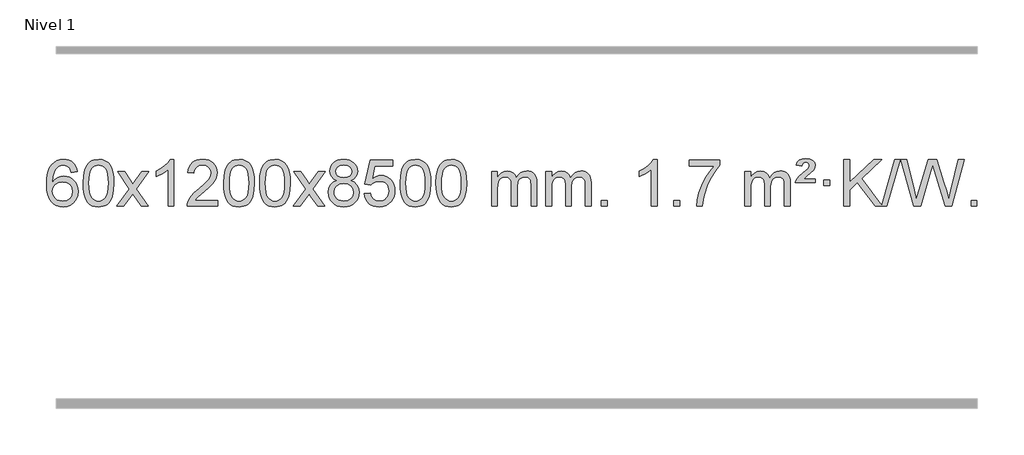
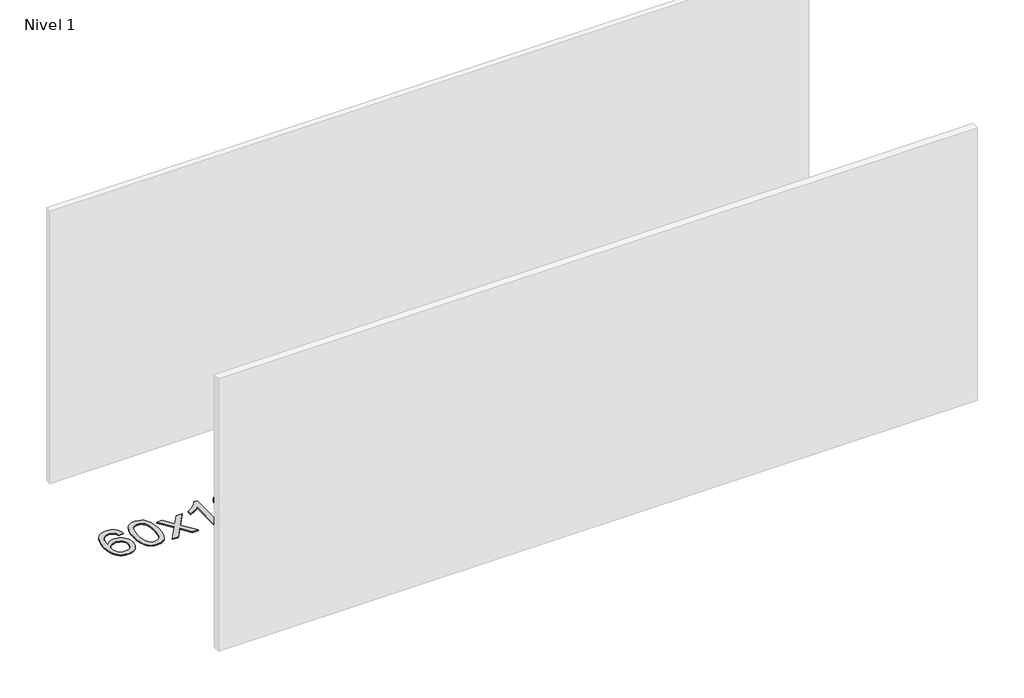
# One storey, part 7 of 10: 1 proxy.
"""IFC4 building model written with IfcOpenShell, lengths in millimetres."""

from ifc_helpers import new_model, si_unit, origin, origin_with_axes, place, context, project, spatial, polyline, outline, extrude, element, save

model = new_model("IFC4")

# Units and contexts
model_context = context("Model", 3, world=origin())
ifc_project = project(units=[si_unit("LENGTHUNIT", "METRE", prefix="MILLI")], contexts=[model_context])

# Site, building, storey
site = spatial("IfcSite", under=ifc_project)
building = spatial("IfcBuilding", under=site)
storey = spatial("IfcBuildingStorey", under=building, Name="Nivel 1", Elevation=0.0)

# Proxy
placement = place(None, origin())
element("IfcBuildingElementProxy", 1, Name="Texto de modelo 1", ObjectType="Texto de modelo 1", at=placement, inside=storey, context=model_context, shape_type="SweptSolid", body=[
    extrude(outline(polyline([(-52.5741406, -3100.4890419), (-102.8022957, -3106.7675613), (-110.8956996, -3081.874213), (-121.8340576, -3064.8780648), (-144.6182158, -3049.2062918), (-172.1603145, -3043.9823675), (-195.5085585, -3047.0235253), (-217.4833763, -3056.1469988), (-236.3557227, -3075.3627017), (-251.7699783, -3101.8134171), (-262.1810387, -3139.227016), (-266.0437997, -3191.3313693), (-245.8961291, -3167.8237098), (-221.7508075, -3151.2567573), (-194.9567355, -3141.434308), (-166.8628138, -3138.1601582), (-142.7297549, -3140.398107), (-120.4606315, -3147.1119534), (-100.0554435, -3158.3016975), (-81.5141909, -3173.9673391), (-66.1060667, -3193.1769106), (-55.1002637, -3214.9984443), (-48.4967818, -3239.4319401), (-46.2956212, -3266.4773982), (-50.440425, -3302.4439945), (-62.8748365, -3335.786366), (-82.568786, -3364.0642287), (-108.4922039, -3384.8372987), (-139.4678679, -3397.602804), (-174.3185556, -3401.8579724), (-204.2610843, -3399.0375437), (-231.3034766, -3390.5762579), (-255.4457325, -3376.4741147), (-276.6878521, -3356.7311143), (-294.005897, -3330.5133908), (-306.3759291, -3296.9870783), (-313.7979483, -3256.1521768), (-316.2719548, -3208.0086864), (-313.5251025, -3154.0342663), (-305.2845458, -3107.9693092), (-291.5502847, -3069.8138149), (-272.3223191, -3039.5677835), (-251.481804, -3019.5243462), (-227.3180883, -3005.2076052), (-199.8311719, -2996.6175606), (-169.0210548, -2993.7542124), (-145.8874087, -2995.5261773), (-124.9487918, -3000.8420722), (-106.2052042, -3009.7018969), (-89.6566457, -3022.1056515), (-75.7507063, -3037.6364031), (-64.9349757, -3055.8772186), (-57.2094538, -3076.8280983), (-52.5741406, -3100.4890419)]), holes=[polyline([(-266.0437997, -3265.6925832), (-263.1375319, -3287.9494439), (-254.4187286, -3309.2007605), (-240.8806712, -3327.472233), (-223.516641, -3340.7895612), (-202.5596301, -3348.9197533), (-178.2426302, -3351.6298173), (-145.0964624, -3346.0134855), (-131.1813259, -3338.9930708), (-119.0381544, -3329.1644901), (-109.188114, -3316.9262824), (-102.1523708, -3302.6769865), (-96.5237763, -3268.1451299), (-102.0787944, -3234.9989621), (-109.0225671, -3221.3781312), (-118.7438488, -3209.725469), (-130.9238085, -3200.3904634), (-145.2436152, -3193.7226022), (-180.3027693, -3188.3883133), (-213.3998862, -3193.7226022), (-241.0768749, -3209.725469), (-251.9999045, -3221.2248471), (-259.8020685, -3234.3858254), (-264.4833669, -3249.2084042), (-266.0437997, -3265.6925832)])]), origin_with_axes(), (0.0, 0.0, 1.0), 10.0),
    extrude(outline(polyline([(-2.3459855, -3197.9041943), (1.3450971, -3133.5861588), (12.4183452, -3082.2911459), (30.763394, -3043.2343407), (42.621457, -3028.0009605), (56.269879, -3015.6309284), (71.7546453, -3006.0598651), (89.1217412, -2999.2233914), (129.5029215, -2993.7542124), (160.4540601, -2996.991574), (188.167837, -3006.7036586), (211.3444027, -3022.5103217), (228.6839074, -3044.0314184), (241.7805065, -3071.0830078), (252.2283551, -3103.4811488), (259.0709602, -3144.6226186), (261.3518286, -3197.9041943), (257.6975341, -3261.8543477), (246.7346507, -3313.0267333), (228.4999664, -3352.1203266), (216.6694946, -3367.3996922), (203.0302696, -3379.8341036), (187.5271092, -3389.4695462), (170.1048311, -3396.3520052), (129.5029215, -3401.8579724), (101.8381955, -3399.4667394), (77.3127291, -3392.2930405), (55.9265225, -3380.3368757), (37.6795755, -3363.5982449), (20.1683926, -3333.3399508), (7.6604047, -3295.6381776), (0.155612, -3250.4929255), (-2.3459855, -3197.9041943)]), holes=[polyline([(47.8821695, -3197.8060924), (49.3536975, -3241.4706195), (53.7682815, -3276.8148822), (61.1259214, -3303.8388804), (71.4266172, -3322.5426142), (83.8855541, -3335.2682656), (97.7179171, -3344.3580165), (112.9237063, -3349.8118671), (129.5029215, -3351.6298173), (146.0821368, -3349.8057357), (161.2879259, -3344.3334911), (175.1202889, -3335.2130833), (187.5792258, -3322.4445124), (197.8799217, -3303.7101217), (205.2375616, -3276.6922549), (209.6521455, -3241.3909118), (211.1236735, -3197.8060924), (209.7011965, -3155.2973278), (205.4337653, -3120.5753989), (198.3213801, -3093.6403055), (188.3640408, -3074.4920476), (176.1135703, -3061.1440625), (162.1217918, -3051.6097875), (146.3887051, -3045.8892225), (128.9143103, -3043.9823675), (112.4209342, -3045.6623619), (97.4726625, -3050.7023452), (84.0694951, -3059.1023175), (72.2114321, -3070.8622786), (61.5673797, -3091.708925), (53.9644852, -3119.8151094), (49.4027484, -3155.1808319), (47.8821695, -3197.8060924)])]), origin_with_axes(), (0.0, 0.0, 1.0), 10.0),
    extrude(outline(polyline([(286.4659061, -3395.579453), (393.7893469, -3247.2494325), (292.7444255, -3100.4890419), (353.1751746, -3100.4890419), (401.9318017, -3171.122385), (424.6914345, -3204.4770192), (444.4099094, -3177.2047007), (499.9355652, -3100.4890419), (560.3663143, -3100.4890419), (454.2200959, -3247.2494325), (556.4422397, -3395.579453), (496.0114906, -3395.579453), (434.501621, -3306.4048574), (423.2199065, -3290.1199477), (346.8966552, -3395.579453), (286.4659061, -3395.579453)])), origin_with_axes(), (0.0, 0.0, 1.0), 10.0),
    extrude(outline(polyline([(776.1904181, -3395.579453), (725.962263, -3395.579453), (725.962263, -3082.4382987), (704.9929893, -3099.3976587), (678.3828583, -3116.3324932), (625.5059529, -3141.6918254), (625.5059529, -3094.2105225), (664.9551655, -3072.7507395), (699.1314029, -3047.219729), (726.0726276, -3020.0700378), (743.8168025, -2993.7542124), (776.1904181, -2993.7542124), (776.1904181, -3395.579453)])), origin_with_axes(), (0.0, 0.0, 1.0), 10.0),
    extrude(outline(polyline([(1152.9015812, -3345.3512979), (1152.9015812, -3395.579453), (889.203767, -3395.579453), (890.307413, -3377.8965918), (894.5993696, -3360.9494945), (906.9847301, -3333.8856424), (925.1090498, -3307.6311307), (951.3267733, -3280.1503456), (987.9923455, -3249.4076736), (1042.1936261, -3201.2641831), (1074.7143945, -3165.7267824), (1090.9747787, -3136.884834), (1096.3949067, -3108.8277005), (1091.281347, -3083.6768347), (1075.9406678, -3062.7688747), (1052.3594319, -3048.6789943), (1022.5242021, -3043.9823675), (991.1929188, -3048.5686297), (966.8513935, -3062.3274163), (951.1428323, -3084.1796068), (945.7104415, -3113.0460807), (895.4822864, -3106.7675613), (899.8018342, -3080.838012), (907.6591805, -3058.1826125), (919.0543253, -3038.8013627), (933.9872686, -3022.6942627), (952.1146539, -3010.0329907), (973.0931247, -3000.989225), (996.9226809, -2995.5629655), (1023.6033226, -2993.7542124), (1050.5230876, -2995.7653006), (1074.4814025, -3001.7985654), (1095.4782674, -3011.8540066), (1113.5136822, -3025.9316242), (1127.9990358, -3042.9890861), (1138.3457169, -3061.9840598), (1144.5537256, -3082.9165453), (1146.6230618, -3105.7865427), (1144.3912444, -3129.8092369), (1137.695792, -3153.4149983), (1125.8132036, -3177.4254299), (1108.0199778, -3202.6621347), (1079.6562759, -3232.7916701), (1036.0622595, -3271.4805933), (978.2802608, -3319.795762), (955.6187299, -3345.3512979), (1152.9015812, -3345.3512979)])), origin_with_axes(), (0.0, 0.0, 1.0), 10.0),
    extrude(outline(polyline([(1203.1297362, -3197.9041943), (1206.8208189, -3133.5861588), (1217.894067, -3082.2911459), (1236.2391158, -3043.2343407), (1248.0971788, -3028.0009605), (1261.7456008, -3015.6309284), (1277.2303671, -3006.0598651), (1294.597463, -2999.2233914), (1334.9786433, -2993.7542124), (1365.9297818, -2996.991574), (1393.6435588, -3006.7036586), (1416.8201245, -3022.5103217), (1434.1596292, -3044.0314184), (1447.2562282, -3071.0830078), (1457.7040769, -3103.4811488), (1464.546682, -3144.6226186), (1466.8275504, -3197.9041943), (1463.1732559, -3261.8543477), (1452.2103725, -3313.0267333), (1433.9756882, -3352.1203266), (1422.1452164, -3367.3996922), (1408.5059914, -3379.8341036), (1393.002831, -3389.4695462), (1375.5805529, -3396.3520052), (1334.9786433, -3401.8579724), (1307.3139173, -3399.4667394), (1282.7884509, -3392.2930405), (1261.4022443, -3380.3368757), (1243.1552973, -3363.5982449), (1225.6441144, -3333.3399508), (1213.1361265, -3295.6381776), (1205.6313338, -3250.4929255), (1203.1297362, -3197.9041943)]), holes=[polyline([(1253.3578913, -3197.8060924), (1254.8294193, -3241.4706195), (1259.2440032, -3276.8148822), (1266.6016432, -3303.8388804), (1276.902339, -3322.5426142), (1289.3612759, -3335.2682656), (1303.1936389, -3344.3580165), (1318.3994281, -3349.8118671), (1334.9786433, -3351.6298173), (1351.5578586, -3349.8057357), (1366.7636477, -3344.3334911), (1380.5960107, -3335.2130833), (1393.0549476, -3322.4445124), (1403.3556435, -3303.7101217), (1410.7132834, -3276.6922549), (1415.1278673, -3241.3909118), (1416.5993953, -3197.8060924), (1415.1769183, -3155.2973278), (1410.9094871, -3120.5753989), (1403.7971019, -3093.6403055), (1393.8397625, -3074.4920476), (1381.5892921, -3061.1440625), (1367.5975136, -3051.6097875), (1351.8644269, -3045.8892225), (1334.3900321, -3043.9823675), (1317.896656, -3045.6623619), (1302.9483843, -3050.7023452), (1289.5452169, -3059.1023175), (1277.6871539, -3070.8622786), (1267.0431015, -3091.708925), (1259.440207, -3119.8151094), (1254.8784702, -3155.1808319), (1253.3578913, -3197.8060924)])]), origin_with_axes(), (0.0, 0.0, 1.0), 10.0),
    extrude(outline(polyline([(1510.7771861, -3197.9041943), (1514.4682688, -3133.5861588), (1525.5415168, -3082.2911459), (1543.8865656, -3043.2343407), (1555.7446286, -3028.0009605), (1569.3930506, -3015.6309284), (1584.877817, -3006.0598651), (1602.2449128, -2999.2233914), (1642.6260932, -2993.7542124), (1673.5772317, -2996.991574), (1701.2910087, -3006.7036586), (1724.4675743, -3022.5103217), (1741.8070791, -3044.0314184), (1754.9036781, -3071.0830078), (1765.3515267, -3103.4811488), (1772.1941319, -3144.6226186), (1774.4750002, -3197.9041943), (1770.8207057, -3261.8543477), (1759.8578223, -3313.0267333), (1741.6231381, -3352.1203266), (1729.7926662, -3367.3996922), (1716.1534413, -3379.8341036), (1700.6502808, -3389.4695462), (1683.2280027, -3396.3520052), (1642.6260932, -3401.8579724), (1614.9613671, -3399.4667394), (1590.4359008, -3392.2930405), (1569.0496941, -3380.3368757), (1550.8027472, -3363.5982449), (1533.2915642, -3333.3399508), (1520.7835764, -3295.6381776), (1513.2787836, -3250.4929255), (1510.7771861, -3197.9041943)]), holes=[polyline([(1561.0053412, -3197.8060924), (1562.4768691, -3241.4706195), (1566.8914531, -3276.8148822), (1574.249093, -3303.8388804), (1584.5497888, -3322.5426142), (1597.0087258, -3335.2682656), (1610.8410888, -3344.3580165), (1626.0468779, -3349.8118671), (1642.6260932, -3351.6298173), (1659.2053084, -3349.8057357), (1674.4110975, -3344.3334911), (1688.2434606, -3335.2130833), (1700.7023975, -3322.4445124), (1711.0030933, -3303.7101217), (1718.3607332, -3276.6922549), (1722.7753172, -3241.3909118), (1724.2468452, -3197.8060924), (1722.8243681, -3155.2973278), (1718.556937, -3120.5753989), (1711.4445517, -3093.6403055), (1701.4872124, -3074.4920476), (1689.2367419, -3061.1440625), (1675.2449634, -3051.6097875), (1659.5118767, -3045.8892225), (1642.037482, -3043.9823675), (1625.5441058, -3045.6623619), (1610.5958341, -3050.7023452), (1597.1926667, -3059.1023175), (1585.3346038, -3070.8622786), (1574.6905514, -3091.708925), (1567.0876568, -3119.8151094), (1562.5259201, -3155.1808319), (1561.0053412, -3197.8060924)])]), origin_with_axes(), (0.0, 0.0, 1.0), 10.0),
    extrude(outline(polyline([(1799.5890778, -3395.579453), (1906.9125185, -3247.2494325), (1805.8675971, -3100.4890419), (1866.2983462, -3100.4890419), (1915.0549733, -3171.122385), (1937.8146061, -3204.4770192), (1957.533081, -3177.2047007), (2013.0587368, -3100.4890419), (2073.4894859, -3100.4890419), (1967.3432676, -3247.2494325), (2069.5654113, -3395.579453), (2009.1346622, -3395.579453), (1947.6247926, -3306.4048574), (1936.3430781, -3290.1199477), (1860.0198268, -3395.579453), (1799.5890778, -3395.579453)])), origin_with_axes(), (0.0, 0.0, 1.0), 10.0),
    extrude(outline(polyline([(2174.1419998, -3174.2616447), (2147.2498259, -3161.0178929), (2128.3774796, -3143.0652515), (2117.2306551, -3120.7716026), (2113.515047, -3094.5048281), (2115.538398, -3074.0199324), (2121.6084509, -3055.2395565), (2131.7252057, -3038.1637006), (2145.8886626, -3022.7923645), (2163.4182396, -3010.088173), (2183.6333553, -3001.0137504), (2206.5340095, -2995.5690969), (2232.1202022, -2993.7542124), (2257.8290223, -2995.6120165), (2280.9013548, -3001.1854287), (2301.3371996, -3010.4744491), (2319.1365568, -3023.4790776), (2333.557531, -3039.1508506), (2343.8582269, -3056.4413044), (2350.0386444, -3075.3504389), (2352.0987836, -3095.8782543), (2348.4322264, -3121.2989001), (2337.4325547, -3143.2124043), (2318.9771413, -3161.0546811), (2292.9433588, -3174.2616447), (2323.8577091, -3190.1909351), (2346.3598245, -3213.6495436), (2360.0818229, -3243.5092989), (2364.6558224, -3278.6420295), (2362.3872167, -3303.6947933), (2355.5813998, -3326.6628926), (2344.2383716, -3347.5463272), (2328.3581322, -3366.3450971), (2308.7745473, -3381.88198), (2286.3214828, -3392.9797536), (2260.9989388, -3399.6384177), (2232.8069153, -3401.8579724), (2204.6148917, -3399.6292206), (2179.2923477, -3392.9429654), (2156.8392833, -3381.7992066), (2137.2556984, -3366.1979443), (2121.3754589, -3347.26735), (2110.0324308, -3326.135595), (2103.2266138, -3302.8026795), (2100.9580082, -3277.2686033), (2105.7159487, -3240.7747094), (2119.9897701, -3210.7555386), (2143.0437085, -3188.2411605), (2174.1419998, -3174.2616447)]), holes=[polyline([(2163.7432021, -3095.9763561), (2168.1945742, -3117.902123), (2181.5486906, -3135.413306), (2203.4131439, -3146.8912243), (2233.3955265, -3150.717197), (2262.6789333, -3146.9157497), (2284.2122927, -3135.5114079), (2297.4560446, -3118.5888361), (2301.8706285, -3098.232699), (2297.3088918, -3077.1040098), (2283.6236815, -3059.629615), (2261.7960165, -3047.8941794), (2232.8069153, -3043.9823675), (2203.6338731, -3047.8083402), (2181.8429962, -3059.2862585), (2168.2681506, -3076.1107284), (2163.7432021, -3095.9763561)]), polyline([(2151.1861633, -3275.5027698), (2153.2830907, -3294.7184726), (2159.5738728, -3313.3210389), (2171.1866811, -3329.5446349), (2189.2496871, -3341.623427), (2210.8811484, -3349.1282197), (2233.1993227, -3351.6298173), (2267.3878228, -3346.3691048), (2281.2814995, -3339.7932141), (2293.0414606, -3330.5869672), (2309.0811156, -3306.6869002), (2314.4276673, -3277.0723996), (2308.9094374, -3246.9551269), (2292.3547476, -3222.5277625), (2280.2759554, -3213.0854579), (2266.1124986, -3206.3409547), (2231.531591, -3200.9453521), (2197.8213375, -3206.2673783), (2184.0840107, -3212.919911), (2172.4252171, -3222.2334569), (2156.4959267, -3246.1948375), (2151.1861633, -3275.5027698)])]), origin_with_axes(), (0.0, 0.0, 1.0), 10.0),
    extrude(outline(polyline([(2408.605458, -3288.8446235), (2458.8336131, -3282.5661041), (2468.0551885, -3312.7201649), (2484.1438944, -3334.3148381), (2507.0261545, -3347.3010725), (2536.6283924, -3351.6298173), (2555.7582561, -3350.1245668), (2572.631777, -3345.6088153), (2587.2489549, -3338.0825628), (2599.6097899, -3327.5458094), (2609.4383706, -3314.519721), (2616.4587853, -3299.5254641), (2622.0751171, -3263.6324441), (2616.8144046, -3229.8363514), (2610.2385139, -3215.9181493), (2601.032267, -3203.9865099), (2589.165007, -3194.4154467), (2574.606077, -3187.5789729), (2537.4132073, -3182.1097939), (2513.0471565, -3184.2925604), (2493.3164188, -3190.8408599), (2477.5588067, -3200.8717757), (2465.1121325, -3213.5023908), (2414.8839774, -3207.2238715), (2458.8336131, -3000.0327318), (2653.467714, -3000.0327318), (2653.467714, -3050.2608869), (2499.4477854, -3050.2608869), (2477.9634769, -3160.919791), (2495.6892577, -3148.2155994), (2513.8442341, -3139.1411769), (2532.4284063, -3133.6965234), (2551.441774, -3131.8816388), (2575.902861, -3134.1318504), (2598.3712539, -3140.882485), (2618.8469526, -3152.1335427), (2637.3299572, -3167.8850234), (2652.6307825, -3187.1743027), (2663.5599434, -3209.038756), (2670.11744, -3233.4783832), (2672.3032722, -3260.4931844), (2670.3351035, -3286.5147042), (2664.4305975, -3310.7213394), (2654.5897541, -3333.1130902), (2640.8125734, -3353.6899565), (2619.9414015, -3374.7634634), (2595.5876135, -3389.8159684), (2567.7512092, -3398.8474714), (2536.4321886, -3401.8579724), (2510.5118364, -3399.9235262), (2487.0992131, -3394.1201877), (2466.1943187, -3384.447957), (2447.7971533, -3370.9068338), (2432.4901966, -3354.1712688), (2420.8559285, -3334.915712), (2412.894349, -3313.1401636), (2408.605458, -3288.8446235)])), origin_with_axes(), (0.0, 0.0, 1.0), 10.0),
    extrude(outline(polyline([(2716.2529079, -3197.9041943), (2719.9439906, -3133.5861588), (2731.0172386, -3082.2911459), (2749.3622874, -3043.2343407), (2761.2203504, -3028.0009605), (2774.8687724, -3015.6309284), (2790.3535388, -3006.0598651), (2807.7206346, -2999.2233914), (2848.1018149, -2993.7542124), (2879.0529535, -2996.991574), (2906.7667304, -3006.7036586), (2929.9432961, -3022.5103217), (2947.2828008, -3044.0314184), (2960.3793999, -3071.0830078), (2970.8272485, -3103.4811488), (2977.6698537, -3144.6226186), (2979.950722, -3197.9041943), (2976.2964275, -3261.8543477), (2965.3335441, -3313.0267333), (2947.0988599, -3352.1203266), (2935.268388, -3367.3996922), (2921.6291631, -3379.8341036), (2906.1260026, -3389.4695462), (2888.7037245, -3396.3520052), (2848.1018149, -3401.8579724), (2820.4370889, -3399.4667394), (2795.9116226, -3392.2930405), (2774.5254159, -3380.3368757), (2756.278469, -3363.5982449), (2738.767286, -3333.3399508), (2726.2592981, -3295.6381776), (2718.7545054, -3250.4929255), (2716.2529079, -3197.9041943)]), holes=[polyline([(2766.481063, -3197.8060924), (2767.9525909, -3241.4706195), (2772.3671749, -3276.8148822), (2779.7248148, -3303.8388804), (2790.0255106, -3322.5426142), (2802.4844475, -3335.2682656), (2816.3168106, -3344.3580165), (2831.5225997, -3349.8118671), (2848.1018149, -3351.6298173), (2864.6810302, -3349.8057357), (2879.8868193, -3344.3334911), (2893.7191824, -3335.2130833), (2906.1781193, -3322.4445124), (2916.4788151, -3303.7101217), (2923.836455, -3276.6922549), (2928.251039, -3241.3909118), (2929.7225669, -3197.8060924), (2928.3000899, -3155.2973278), (2924.0326588, -3120.5753989), (2916.9202735, -3093.6403055), (2906.9629342, -3074.4920476), (2894.7124637, -3061.1440625), (2880.7206852, -3051.6097875), (2864.9875985, -3045.8892225), (2847.5132038, -3043.9823675), (2831.0198276, -3045.6623619), (2816.0715559, -3050.7023452), (2802.6683885, -3059.1023175), (2790.8103256, -3070.8622786), (2780.1662732, -3091.708925), (2772.5633786, -3119.8151094), (2768.0016419, -3155.1808319), (2766.481063, -3197.8060924)])]), origin_with_axes(), (0.0, 0.0, 1.0), 10.0),
    extrude(outline(polyline([(3023.9003577, -3197.9041943), (3027.5914404, -3133.5861588), (3038.6646885, -3082.2911459), (3057.0097373, -3043.2343407), (3068.8678003, -3028.0009605), (3082.5162223, -3015.6309284), (3098.0009886, -3006.0598651), (3115.3680844, -2999.2233914), (3155.7492648, -2993.7542124), (3186.7004033, -2996.991574), (3214.4141803, -3006.7036586), (3237.590746, -3022.5103217), (3254.9302507, -3044.0314184), (3268.0268497, -3071.0830078), (3278.4746984, -3103.4811488), (3285.3173035, -3144.6226186), (3287.5981719, -3197.9041943), (3283.9438774, -3261.8543477), (3272.9809939, -3313.0267333), (3254.7463097, -3352.1203266), (3242.9158379, -3367.3996922), (3229.2766129, -3379.8341036), (3213.7734525, -3389.4695462), (3196.3511743, -3396.3520052), (3155.7492648, -3401.8579724), (3128.0845387, -3399.4667394), (3103.5590724, -3392.2930405), (3082.1728657, -3380.3368757), (3063.9259188, -3363.5982449), (3046.4147358, -3333.3399508), (3033.906748, -3295.6381776), (3026.4019553, -3250.4929255), (3023.9003577, -3197.9041943)]), holes=[polyline([(3074.1285128, -3197.8060924), (3075.6000408, -3241.4706195), (3080.0146247, -3276.8148822), (3087.3722646, -3303.8388804), (3097.6729605, -3322.5426142), (3110.1318974, -3335.2682656), (3123.9642604, -3344.3580165), (3139.1700495, -3349.8118671), (3155.7492648, -3351.6298173), (3172.32848, -3349.8057357), (3187.5342692, -3344.3334911), (3201.3666322, -3335.2130833), (3213.8255691, -3322.4445124), (3224.126265, -3303.7101217), (3231.4839049, -3276.6922549), (3235.8984888, -3241.3909118), (3237.3700168, -3197.8060924), (3235.9475397, -3155.2973278), (3231.6801086, -3120.5753989), (3224.5677233, -3093.6403055), (3214.610384, -3074.4920476), (3202.3599136, -3061.1440625), (3188.368135, -3051.6097875), (3172.6350484, -3045.8892225), (3155.1606536, -3043.9823675), (3138.6672775, -3045.6623619), (3123.7190057, -3050.7023452), (3110.3158384, -3059.1023175), (3098.4577754, -3070.8622786), (3087.813723, -3091.708925), (3080.2108284, -3119.8151094), (3075.6490917, -3155.1808319), (3074.1285128, -3197.8060924)])]), origin_with_axes(), (0.0, 0.0, 1.0), 10.0),
    extrude(outline(polyline([(3501.0678309, -3395.579453), (3501.0678309, -3100.4890419), (3551.295986, -3100.4890419), (3551.295986, -3149.0494653), (3566.4036733, -3126.7435537), (3585.8278426, -3109.2691589), (3608.9063064, -3097.9751816), (3634.9768772, -3094.2105225), (3662.9113833, -3098.048758), (3685.3031341, -3109.5634645), (3702.0295022, -3127.9943524), (3712.9678601, -3152.5811324), (3731.2761208, -3127.0439906), (3752.1595554, -3108.803175), (3775.6181639, -3097.8586857), (3801.6519464, -3094.2105225), (3821.7597632, -3095.7280358), (3839.4089019, -3100.2805755), (3854.5993626, -3107.8681416), (3867.3311453, -3118.4907342), (3877.3957836, -3132.2709806), (3884.5848109, -3149.3315082), (3888.8982273, -3169.6723168), (3890.3360328, -3193.2934066), (3890.3360328, -3395.579453), (3840.1078777, -3395.579453), (3840.1078777, -3214.875817), (3838.942918, -3189.8230531), (3835.4480391, -3172.9372695), (3828.8997396, -3161.3735121), (3818.5745182, -3152.2868268), (3805.2939782, -3146.4007149), (3789.8797226, -3144.4386776), (3762.6687177, -3149.4663982), (3740.4854334, -3164.54956), (3731.8800604, -3176.1194488), (3725.7333654, -3190.7182326), (3720.8160094, -3229.0024856), (3720.8160094, -3395.579453), (3670.5878543, -3395.579453), (3670.5878543, -3209.2840106), (3667.6815865, -3180.8835206), (3658.9627833, -3160.6254854), (3643.6221041, -3148.4853796), (3620.8502086, -3144.4386776), (3601.4996156, -3147.1364789), (3583.6696016, -3155.2298828), (3568.9543218, -3168.5226856), (3558.9479315, -3186.8186835), (3553.2089724, -3212.2025411), (3551.295986, -3246.7589232), (3551.295986, -3395.579453), (3501.0678309, -3395.579453)])), origin_with_axes(), (0.0, 0.0, 1.0), 10.0),
    extrude(outline(polyline([(3965.6782654, -3395.579453), (3965.6782654, -3100.4890419), (4015.9064204, -3100.4890419), (4015.9064204, -3149.0494653), (4031.0141077, -3126.7435537), (4050.4382771, -3109.2691589), (4073.5167409, -3097.9751816), (4099.5873116, -3094.2105225), (4127.5218178, -3098.048758), (4149.9135685, -3109.5634645), (4166.6399366, -3127.9943524), (4177.5782946, -3152.5811324), (4195.8865552, -3127.0439906), (4216.7699898, -3108.803175), (4240.2285984, -3097.8586857), (4266.2623809, -3094.2105225), (4286.3701976, -3095.7280358), (4304.0193363, -3100.2805755), (4319.209797, -3107.8681416), (4331.9415798, -3118.4907342), (4342.006218, -3132.2709806), (4349.1952453, -3149.3315082), (4353.5086617, -3169.6723168), (4354.9464672, -3193.2934066), (4354.9464672, -3395.579453), (4304.7183121, -3395.579453), (4304.7183121, -3214.875817), (4303.5533525, -3189.8230531), (4300.0584735, -3172.9372695), (4293.510174, -3161.3735121), (4283.1849527, -3152.2868268), (4269.9044126, -3146.4007149), (4254.490157, -3144.4386776), (4227.2791521, -3149.4663982), (4205.0958678, -3164.54956), (4196.4904948, -3176.1194488), (4190.3437998, -3190.7182326), (4185.4264438, -3229.0024856), (4185.4264438, -3395.579453), (4135.1982887, -3395.579453), (4135.1982887, -3209.2840106), (4132.292021, -3180.8835206), (4123.5732177, -3160.6254854), (4108.2325385, -3148.4853796), (4085.460643, -3144.4386776), (4066.11005, -3147.1364789), (4048.280036, -3155.2298828), (4033.5647562, -3168.5226856), (4023.5583659, -3186.8186835), (4017.8194068, -3212.2025411), (4015.9064204, -3246.7589232), (4015.9064204, -3395.579453), (3965.6782654, -3395.579453)])), origin_with_axes(), (0.0, 0.0, 1.0), 10.0),
    extrude(outline(polyline([(4442.8457386, -3395.579453), (4442.8457386, -3345.3512979), (4493.0738936, -3345.3512979), (4493.0738936, -3395.579453), (4442.8457386, -3395.579453)])), origin_with_axes(), (0.0, 0.0, 1.0), 10.0),
    extrude(outline(polyline([(4920.0132118, -3395.579453), (4869.7850567, -3395.579453), (4869.7850567, -3082.4382987), (4848.815783, -3099.3976587), (4822.205652, -3116.3324932), (4769.3287466, -3141.6918254), (4769.3287466, -3094.2105225), (4808.7779592, -3072.7507395), (4842.9541965, -3047.219729), (4869.8954213, -3020.0700378), (4887.6395962, -2993.7542124), (4920.0132118, -2993.7542124), (4920.0132118, -3395.579453)])), origin_with_axes(), (0.0, 0.0, 1.0), 10.0),
    extrude(outline(polyline([(5064.4191576, -3395.579453), (5064.4191576, -3345.3512979), (5114.6473127, -3345.3512979), (5114.6473127, -3395.579453), (5064.4191576, -3395.579453)])), origin_with_axes(), (0.0, 0.0, 1.0), 10.0),
    extrude(outline(polyline([(5196.2680647, -3050.2608869), (5196.2680647, -3000.0327318), (5459.9658788, -3000.0327318), (5459.9658788, -3040.646904), (5422.3806017, -3088.214046), (5385.1632065, -3148.7061088), (5352.3358698, -3216.6048623), (5327.920768, -3286.3920768), (5315.9523405, -3338.6067947), (5309.2814136, -3395.579453), (5259.0532585, -3395.579453), (5264.4856493, -3343.8061935), (5279.0169881, -3282.2717985), (5302.2548675, -3217.0463207), (5333.80688, -3154.1998132), (5370.6441304, -3097.3865704), (5409.7377238, -3050.2608869), (5196.2680647, -3050.2608869)])), origin_with_axes(), (0.0, 0.0, 1.0), 10.0),
    extrude(outline(polyline([(5673.4355379, -3395.579453), (5673.4355379, -3100.4890419), (5723.663693, -3100.4890419), (5723.663693, -3149.0494653), (5738.7713803, -3126.7435537), (5758.1955496, -3109.2691589), (5781.2740134, -3097.9751816), (5807.3445842, -3094.2105225), (5835.2790903, -3098.048758), (5857.6708411, -3109.5634645), (5874.3972091, -3127.9943524), (5885.3355671, -3152.5811324), (5903.6438278, -3127.0439906), (5924.5272623, -3108.803175), (5947.9858709, -3097.8586857), (5974.0196534, -3094.2105225), (5994.1274702, -3095.7280358), (6011.7766089, -3100.2805755), (6026.9670696, -3107.8681416), (6039.6988523, -3118.4907342), (6049.7634906, -3132.2709806), (6056.9525179, -3149.3315082), (6061.2659343, -3169.6723168), (6062.7037397, -3193.2934066), (6062.7037397, -3395.579453), (6012.4755847, -3395.579453), (6012.4755847, -3214.875817), (6011.310625, -3189.8230531), (6007.8157461, -3172.9372695), (6001.2674465, -3161.3735121), (5990.9422252, -3152.2868268), (5977.6616852, -3146.4007149), (5962.2474296, -3144.4386776), (5935.0364247, -3149.4663982), (5912.8531404, -3164.54956), (5904.2477674, -3176.1194488), (5898.1010724, -3190.7182326), (5893.1837164, -3229.0024856), (5893.1837164, -3395.579453), (5842.9555613, -3395.579453), (5842.9555613, -3209.2840106), (5840.0492935, -3180.8835206), (5831.3304902, -3160.6254854), (5815.989811, -3148.4853796), (5793.2179155, -3144.4386776), (5773.8673226, -3147.1364789), (5756.0373086, -3155.2298828), (5741.3220287, -3168.5226856), (5731.3156385, -3186.8186835), (5725.5766794, -3212.2025411), (5723.663693, -3246.7589232), (5723.663693, -3395.579453), (5673.4355379, -3395.579453)])), origin_with_axes(), (0.0, 0.0, 1.0), 10.0),
    extrude(outline(polyline([(6106.6533754, -3194.6668327), (6110.4793482, -3178.8479069), (6118.8180067, -3162.9799302), (6140.3268407, -3137.8413272), (6172.2835234, -3110.1030247), (6216.4293628, -3072.726214), (6223.5662735, -3061.1992448), (6225.9452437, -3049.3779701), (6224.0567828, -3037.2869152), (6218.3914001, -3027.5012541), (6209.022672, -3021.026531), (6196.0241748, -3018.8682899), (6183.5897634, -3020.4869707), (6174.73607, -3025.343013), (6168.3103978, -3034.8098431), (6163.1600499, -3050.2608869), (6112.9318948, -3043.9823675), (6123.7721509, -3018.7701881), (6140.4004171, -3001.2099542), (6164.165594, -2990.9092583), (6196.4165822, -2987.475693), (6232.1992376, -2991.6082341), (6256.9454332, -3004.0058573), (6271.3664074, -3022.3386434), (6276.1733988, -3044.2766731), (6272.0776459, -3067.1834586), (6259.7903873, -3088.8149199), (6239.262572, -3108.6314968), (6202.7932035, -3136.6886303), (6177.1886166, -3163.2742358), (6276.1733988, -3163.2742358), (6276.1733988, -3194.6668327), (6106.6533754, -3194.6668327)])), origin_with_axes(), (0.0, 0.0, 1.0), 10.0),
    extrude(outline(polyline([(6351.5156314, -3219.7809102), (6351.5156314, -3169.5527552), (6401.7437865, -3169.5527552), (6401.7437865, -3219.7809102), (6351.5156314, -3219.7809102)])), origin_with_axes(), (0.0, 0.0, 1.0), 10.0),
    extrude(outline(polyline([(6792.3854144, -3395.579453), (6638.954097, -3192.9009991), (6571.2638099, -3257.4520265), (6571.2638099, -3395.579453), (6521.0356548, -3395.579453), (6521.0356548, -2993.7542124), (6571.2638099, -2993.7542124), (6571.2638099, -3190.4484525), (6777.2777272, -2993.7542124), (6847.5186628, -2993.7542124), (6674.5650741, -3158.9577537), (6849.218684, -3389.5349332), (6960.5320117, -2993.7542124), (7005.8550735, -2993.7542124), (6892.8417246, -3395.579453), (6853.7971822, -3395.579453), (6847.5186628, -3395.579453), (6792.3854144, -3395.579453)])), origin_with_axes(), (0.0, 0.0, 1.0), 10.0),
    extrude(outline(polyline([(7120.3399504, -3395.579453), (7010.7601668, -2993.7542124), (7062.5579517, -2993.7542124), (7126.1279605, -3257.844434), (7145.7483335, -3339.3670841), (7166.7421327, -3267.2622131), (7246.4008474, -2993.7542124), (7321.056367, -2993.7542124), (7378.9364675, -3192.0180823), (7403.731714, -3265.5944814), (7422.0031864, -3339.3670841), (7441.0349483, -3260.1988788), (7505.1935683, -2993.7542124), (7556.9913532, -2993.7542124), (7447.3134677, -3395.579453), (7393.6517474, -3395.579453), (7297.3157155, -3085.5775584), (7283.87576, -3042.3146358), (7268.7680727, -3094.4067263), (7180.9669032, -3395.579453), (7120.3399504, -3395.579453)])), origin_with_axes(), (0.0, 0.0, 1.0), 10.0),
    extrude(outline(polyline([(7613.4980277, -3395.579453), (7613.4980277, -3345.3512979), (7663.7261827, -3345.3512979), (7663.7261827, -3395.579453), (7613.4980277, -3395.579453)])), origin_with_axes(), (0.0, 0.0, 1.0), 10.0),
])

save(model, "model.ifc")
